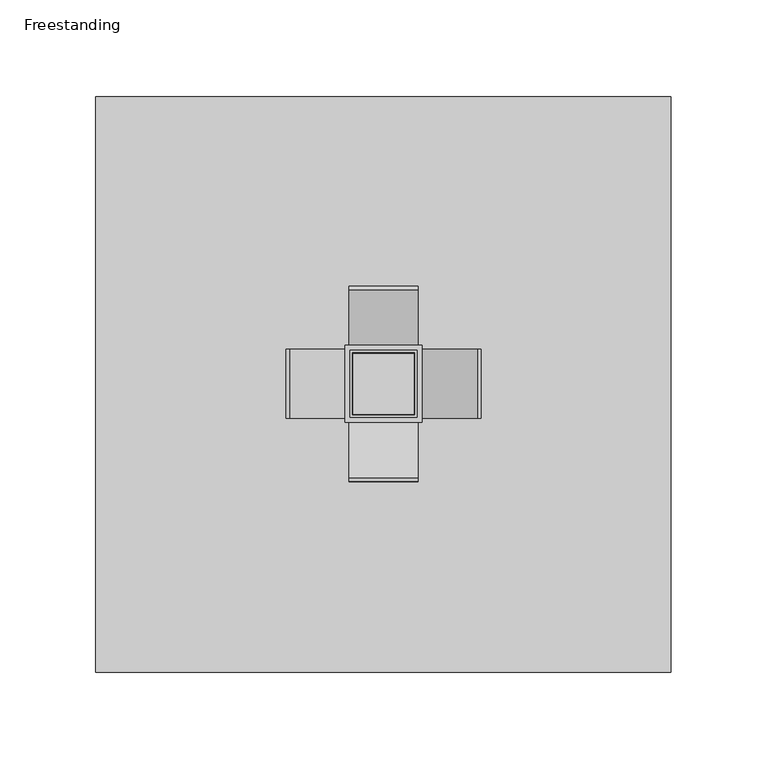
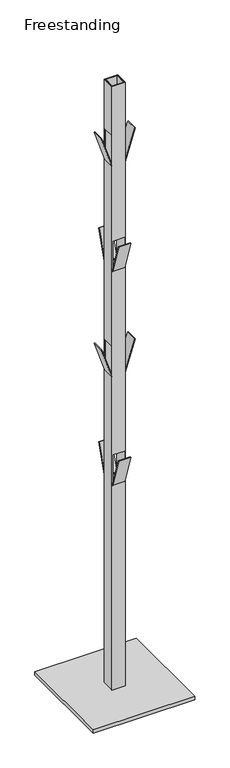
"""IFC4 building model written with IfcOpenShell, lengths in millimetres: furniture geometry, Freestanding."""

import ifcopenshell
import ifcopenshell.guid

model = None  # the IFC model being written
_history = None  # IfcOwnerHistory: only IFC2X3 demands one
_inside = {}  # id of a spatial element -> (the spatial element, [elements in it])
_under = {}  # id of a project, library or spatial element -> (it, [spatial elements below it])
_declared = {}  # id of a project -> (the project, [libraries it declares])
_typed = {}  # id of a type object -> (the type object, [elements of that type])
_made_of = {}  # id of a material, layer set ... -> (it, [elements and type objects made of it])


def new_model(schema):
    """Start an empty IFC model of exactly this schema.

    Asked for "IFC4X3", IfcOpenShell would pick the latest addendum, in which some entities
    have other attributes; the version numbers below select the first issue.
    IFC2X3 requires an IfcOwnerHistory on every rooted entity: one is made here for all.
    """
    global model, _history
    if schema == "IFC4X3":
        model = ifcopenshell.file(schema_version=(4, 3, 0, 0))
    else:
        model = ifcopenshell.file(schema=schema)
    _inside.clear()
    _under.clear()
    _declared.clear()
    _typed.clear()
    _made_of.clear()
    _history = None
    if model.schema == "IFC2X3":
        org = make("IfcOrganization", Name="unknown")
        user = make(
            "IfcPersonAndOrganization",
            ThePerson=make("IfcPerson", FamilyName="unknown"),
            TheOrganization=org,
        )
        app = make(
            "IfcApplication",
            ApplicationDeveloper=org,
            Version="unknown",
            ApplicationFullName="unknown",
            ApplicationIdentifier="unknown",
        )
        _history = make(
            "IfcOwnerHistory",
            OwningUser=user,
            OwningApplication=app,
            ChangeAction="ADDED",
            CreationDate=0,
        )
    return model


def make(cls, **values):
    """One entity of the class cls with the attributes given. An attribute that is None is left unset."""
    return model.create_entity(
        cls, **{name: value for name, value in values.items() if value is not None}
    )


def rooted(cls, **values):
    """An entity with a GlobalId (a new one), such as an element, a storey or a relation."""
    return make(cls, GlobalId=ifcopenshell.guid.new(), OwnerHistory=_history, **values)


def si_unit(unit_type, name, prefix=None):
    """IfcSIUnit, for example si_unit("LENGTHUNIT", "METRE", prefix="MILLI")."""
    return make("IfcSIUnit", UnitType=unit_type, Prefix=prefix, Name=name)


def assignment(units):
    """IfcUnitAssignment: the units of a project."""
    return None if units is None else make("IfcUnitAssignment", Units=units)


def point(xyz):
    """IfcCartesianPoint."""
    return None if xyz is None else make("IfcCartesianPoint", Coordinates=xyz)


def direction(xyz):
    """IfcDirection."""
    return None if xyz is None else make("IfcDirection", DirectionRatios=xyz)


def frame(location, z_axis=None, x_axis=None):
    """IfcAxis2Placement3D, a coordinate frame: its origin and axes. An axis left out is left unset."""
    return make(
        "IfcAxis2Placement3D",
        Location=point(location),
        Axis=direction(z_axis),
        RefDirection=direction(x_axis),
    )


def origin():
    """The frame at (0, 0, 0) with its axes left unset."""
    return frame((0.0, 0.0, 0.0))


def origin_with_axes():
    """The frame at (0, 0, 0) with the z axis (0, 0, 1) and the x axis (1, 0, 0) written out."""
    return frame((0.0, 0.0, 0.0), z_axis=(0.0, 0.0, 1.0), x_axis=(1.0, 0.0, 0.0))


def place(relative_to, where):
    """IfcLocalPlacement: puts the frame where relative to a parent placement (None: the world)."""
    return make(
        "IfcLocalPlacement", PlacementRelTo=relative_to, RelativePlacement=where
    )


def context(
    kind, dimensions, precision=None, world=None, true_north=None, identifier=None
):
    """IfcGeometricRepresentationContext, for example the 3D "Model" context."""
    return make(
        "IfcGeometricRepresentationContext",
        ContextIdentifier=identifier,
        ContextType=kind,
        CoordinateSpaceDimension=dimensions,
        Precision=precision,
        WorldCoordinateSystem=world,
        TrueNorth=true_north,
    )


def project(units=None, contexts=None):
    """IfcProject with its units and contexts."""
    return rooted(
        "IfcProject",
        Name="project",
        RepresentationContexts=contexts,
        UnitsInContext=assignment(units),
    )


def spatial(cls, under=None, at=None, **own):
    """A site, building, storey or space (cls), placed at a placement, below another one or the project."""
    s = rooted(cls, ObjectPlacement=at, **own)
    if under is not None:
        _under.setdefault(under.id(), (under, []))[1].append(s)
    return s


def polyline(points):
    """IfcPolyline through the points."""
    return make("IfcPolyline", Points=[point(p) for p in points])


def outline(outer, holes=None, kind="AREA"):
    """IfcArbitraryClosedProfileDef: a profile drawn as a closed curve; with holes, ...WithVoids."""
    if holes is None:
        return make("IfcArbitraryClosedProfileDef", ProfileType=kind, OuterCurve=outer)
    return make(
        "IfcArbitraryProfileDefWithVoids",
        ProfileType=kind,
        OuterCurve=outer,
        InnerCurves=holes,
    )


def extrude(swept, where, along, depth):
    """IfcExtrudedAreaSolid: the profile swept, set in the frame where, extruded along a direction by depth."""
    return make(
        "IfcExtrudedAreaSolid",
        SweptArea=swept,
        Position=where,
        ExtrudedDirection=direction(along),
        Depth=depth,
    )


def faces_of(points, faces, orient=None, outer=None):
    """IfcFace entities. A face is a list of loops; a loop is a list of indices into points, from 0.

    orient and outer hold one flag for each loop. By default every Orientation is true, the
    first loop of a face is its IfcFaceOuterBound and the others are IfcFaceBound.
    """
    made = []
    for i, loops in enumerate(faces):
        bounds = []
        for j, loop in enumerate(loops):
            is_outer = j == 0 if outer is None else outer[i][j]
            bounds.append(
                make(
                    "IfcFaceOuterBound" if is_outer else "IfcFaceBound",
                    Bound=make("IfcPolyLoop", Polygon=[points[k] for k in loop]),
                    Orientation=True if orient is None else orient[i][j],
                )
            )
        made.append(make("IfcFace", Bounds=bounds))
    return made


def faceted_brep(points, faces, orient=None, outer=None, voids=None):
    """IfcFacetedBrep: a solid bounded by flat faces; with voids (closed shells), ...WithVoids."""
    shared = [point(p) for p in points]
    hull = make("IfcClosedShell", CfsFaces=faces_of(shared, faces, orient, outer))
    if voids is None:
        return make("IfcFacetedBrep", Outer=hull)
    return make(
        "IfcFacetedBrepWithVoids",
        Outer=hull,
        Voids=[
            make(cls, CfsFaces=faces_of(shared, fs, o, b)) for cls, fs, o, b in voids
        ],
    )


def shape(context_of_items, identifier, shape_type, items):
    """IfcShapeRepresentation: the items that make up one representation, for example the "Body"."""
    return make(
        "IfcShapeRepresentation",
        ContextOfItems=context_of_items,
        RepresentationIdentifier=identifier,
        RepresentationType=shape_type,
        Items=items,
    )


def source(mapping_origin, context_of_items, identifier, shape_type, items):
    """IfcRepresentationMap: a shape defined once, which mapped items show again and again."""
    return make(
        "IfcRepresentationMap",
        MappingOrigin=mapping_origin,
        MappedRepresentation=shape(context_of_items, identifier, shape_type, items),
    )


def transform(
    local_origin,
    x_axis=None,
    y_axis=None,
    z_axis=None,
    scale=None,
    scale2=None,
    scale3=None,
    uniform=True,
):
    """IfcCartesianTransformationOperator3D, or its non-uniform kind. x_axis, y_axis, z_axis: its Axis1, 2, 3."""
    if uniform:
        return make(
            "IfcCartesianTransformationOperator3D",
            Axis1=direction(x_axis),
            Axis2=direction(y_axis),
            LocalOrigin=point(local_origin),
            Scale=scale,
            Axis3=direction(z_axis),
        )
    return make(
        "IfcCartesianTransformationOperator3DnonUniform",
        Axis1=direction(x_axis),
        Axis2=direction(y_axis),
        LocalOrigin=point(local_origin),
        Scale=scale,
        Axis3=direction(z_axis),
        Scale2=scale2,
        Scale3=scale3,
    )


def mapped(mapping_source, mapping_target):
    """IfcMappedItem: shows the shape of a source again, moved by a transform."""
    return make(
        "IfcMappedItem", MappingSource=mapping_source, MappingTarget=mapping_target
    )


def made_of(thing, what):
    """Note that an element or type object is made of a material, layer set ...; save() writes the relation."""
    if what is not None:
        _made_of.setdefault(what.id(), (what, []))[1].append(thing)
    return thing


def element(
    cls,
    number,
    at=None,
    inside=None,
    cuts=None,
    type_object=None,
    material=None,
    context=None,
    identifier="Body",
    shape_type=None,
    held_by="IfcProductDefinitionShape",
    body=None,
    shapes=None,
    **own,
):
    """One element of the class cls, such as IfcWall. Its Tag is "e" and its number.

    at: its placement. inside: the storey or other place that contains it. cuts: it is an
    opening in that element (IfcRelVoidsElement). A single representation is given by context,
    identifier, shape_type and body (its items); several are given by shapes. held_by: the class
    of the entity that holds the representations. save() writes the other relations.
    """
    e = rooted(cls, Tag="e%d" % number, ObjectPlacement=at, **own)
    if body is not None:
        shapes = [shape(context, identifier, shape_type, body)]
    if shapes is not None:
        e.Representation = make(held_by, Representations=shapes)
    if inside is not None:
        _inside.setdefault(inside.id(), (inside, []))[1].append(e)
    if cuts is not None:
        rooted(
            "IfcRelVoidsElement", RelatingBuildingElement=cuts, RelatedOpeningElement=e
        )
    if type_object is not None:
        _typed.setdefault(type_object.id(), (type_object, []))[1].append(e)
    return made_of(e, material)


def aggregate(whole, parts):
    """IfcRelAggregates: a whole, such as a stair, and the parts it consists of."""
    return rooted("IfcRelAggregates", RelatingObject=whole, RelatedObjects=parts)


def save(model, path):
    """Write the relations noted so far, then the file.

    IfcRelAggregates (storeys below a building ...), IfcRelContainedInSpatialStructure (elements
    in a storey), IfcRelDefinesByType, IfcRelAssociatesMaterial and IfcRelDeclares: one each for
    every whole, place, type object, material and project.
    """
    for whole, parts in _under.values():
        aggregate(whole, parts)
    for where, things in _inside.values():
        rooted(
            "IfcRelContainedInSpatialStructure",
            RelatedElements=things,
            RelatingStructure=where,
        )
    for kind, things in _typed.values():
        rooted("IfcRelDefinesByType", RelatedObjects=things, RelatingType=kind)
    for what, things in _made_of.values():
        rooted("IfcRelAssociatesMaterial", RelatedObjects=things, RelatingMaterial=what)
    for by, libraries in _declared.values():
        rooted("IfcRelDeclares", RelatingContext=by, RelatedDefinitions=libraries)
    model.write(path)


def freestanding_ad910669(model_context):
    return source(origin(), model_context, "Body", "SolidModel", [
        faceted_brep([(-16.19, 17.46, 656.3662881), (-16.19, 16.19, 656.3662881), (16.19, 16.19, 656.3662881), (16.19, -16.19, 656.3662881), (-16.19, -16.19, 656.3662881), (-16.19, -17.46, 656.3662881), (17.46, -17.46, 656.3662881), (17.46, 17.46, 656.3662881), (-16.19, 16.19, 745.618), (-16.19, 17.46, 745.618), (17.46, 17.46, 745.618), (17.46, -17.46, 745.618), (-16.19, -17.46, 745.618), (-16.19, -16.19, 745.618), (16.19, -16.19, 745.618), (16.19, 16.19, 745.618), (-16.19, 17.46, 1326.3662881), (-16.19, 16.19, 1326.3662881), (16.19, 16.19, 1326.3662881), (16.19, -16.19, 1326.3662881), (-16.19, -16.19, 1326.3662881), (-16.19, -17.46, 1326.3662881), (17.46, -17.46, 1326.3662881), (17.46, 17.46, 1326.3662881), (-16.19, 16.19, 1415.618), (-16.19, 17.46, 1415.618), (17.46, 17.46, 1415.618), (17.46, -17.46, 1415.618), (-16.19, -17.46, 1415.618), (-16.19, -16.19, 1415.618), (16.19, -16.19, 1415.618), (16.19, 16.19, 1415.618), (17.46, 17.46, 1900.0), (-17.46, 17.46, 1900.0), (-17.46, -17.46, 1900.0), (17.46, -17.46, 1900.0), (16.19, 16.19, 1900.0), (16.19, -16.19, 1900.0), (-16.19, -16.19, 1900.0), (-16.19, 16.19, 1900.0), (17.46, 17.46, 10.0), (17.46, -17.46, 10.0), (-17.46, -17.46, 10.0), (-17.46, 17.46, 10.0), (16.19, 16.19, 10.0), (-16.19, 16.19, 10.0), (-16.19, -16.19, 10.0), (16.19, -16.19, 10.0), (-17.46, -16.19, 1085.728), (-17.46, -16.19, 996.4762881), (-17.46, 16.19, 996.4762881), (-17.46, 16.19, 1085.728), (-17.46, -16.19, 1745.728), (-17.46, -16.19, 1656.4762881), (-17.46, 16.19, 1656.4762881), (-17.46, 16.19, 1745.728), (17.46, -16.19, 1656.4762881), (17.46, -16.19, 1745.728), (17.46, 16.19, 1745.728), (17.46, 16.19, 1656.4762881), (17.46, -16.19, 996.4762881), (17.46, -16.19, 1085.728), (17.46, 16.19, 1085.728), (17.46, 16.19, 996.4762881), (16.19, -16.19, 996.4762881), (16.19, 16.19, 996.4762881), (16.19, 16.19, 1085.728), (16.19, -16.19, 1085.728), (16.19, -16.19, 1656.4762881), (16.19, 16.19, 1656.4762881), (16.19, 16.19, 1745.728), (16.19, -16.19, 1745.728), (-16.19, -16.19, 996.4762881), (-16.19, -16.19, 1085.728), (-16.19, -16.19, 1656.4762881), (-16.19, -16.19, 1745.728), (-16.19, 16.19, 1656.4762881), (-16.19, 16.19, 1085.728), (-16.19, 16.19, 1745.728), (-16.19, 16.19, 996.4762881)], [[[0, 1, 2, 3, 4, 5, 6, 7]], [[8, 9, 10, 11, 12, 13, 14, 15]], [[16, 17, 18, 19, 20, 21, 22, 23]], [[24, 25, 26, 27, 28, 29, 30, 31]], [[32, 33, 34, 35], [36, 37, 38, 39]], [[40, 41, 42, 43], [44, 45, 46, 47]], [[33, 32, 26, 25, 16, 23, 10, 9, 0, 7, 40, 43]], [[34, 33, 43, 42], [48, 49, 50, 51], [52, 53, 54, 55]], [[35, 34, 42, 41, 6, 5, 12, 11, 22, 21, 28, 27]], [[32, 35, 27, 26], [56, 57, 58, 59]], [[41, 40, 7, 6]], [[10, 23, 22, 11], [60, 61, 62, 63]], [[15, 14, 64, 65]], [[19, 18, 66, 67]], [[31, 30, 68, 69]], [[37, 36, 70, 71]], [[44, 47, 3, 2]], [[14, 13, 72, 49, 48, 73, 20, 19, 67, 61, 60, 64]], [[38, 37, 71, 57, 56, 68, 30, 29, 74, 53, 52, 75]], [[47, 46, 4, 3]], [[17, 16, 25, 24, 76, 74, 29, 28, 21, 20, 73, 77]], [[39, 38, 75, 78]], [[46, 45, 1, 0, 9, 8, 79, 72, 13, 12, 5, 4]], [[8, 15, 65, 63, 62, 66, 18, 17, 77, 51, 50, 79]], [[36, 39, 78, 55, 54, 76, 24, 31, 69, 59, 58, 70]], [[45, 44, 2, 1]], [[73, 48, 51, 77]], [[61, 67, 66, 62]], [[49, 72, 79, 50]], [[64, 60, 63, 65]], [[57, 71, 70, 58]], [[75, 52, 55, 78]], [[68, 56, 59, 69]], [[53, 74, 76, 54]]]),
        faceted_brep([(20.0, 20.0, 1900.0), (-20.0, 20.0, 1900.0), (-20.0, -20.0, 1900.0), (20.0, -20.0, 1900.0), (-17.46, -17.46, 1900.0), (-17.46, 17.46, 1900.0), (17.46, 17.46, 1900.0), (17.46, -17.46, 1900.0), (20.0, 20.0, 10.0), (20.0, -20.0, 10.0), (-20.0, -20.0, 10.0), (-20.0, 20.0, 10.0), (-17.46, -17.46, 10.0), (17.46, -17.46, 10.0), (17.46, 17.46, 10.0), (-17.46, 17.46, 10.0), (17.46, 20.0, 656.3662881), (17.46, 20.0, 745.618), (-16.19, 20.0, 745.618), (-16.19, 20.0, 656.3662881), (17.46, 20.0, 1326.3662881), (17.46, 20.0, 1415.618), (-16.19, 20.0, 1415.618), (-16.19, 20.0, 1326.3662881), (-20.0, -16.19, 1085.728), (-20.0, -16.19, 996.4762881), (-20.0, 16.19, 996.4762881), (-20.0, 16.19, 1085.728), (-20.0, -16.19, 1745.728), (-20.0, -16.19, 1656.4762881), (-20.0, 16.19, 1656.4762881), (-20.0, 16.19, 1745.728), (17.46, -20.0, 745.618), (17.46, -20.0, 656.3662881), (-16.19, -20.0, 656.3662881), (-16.19, -20.0, 745.618), (17.46, -20.0, 1415.618), (17.46, -20.0, 1326.3662881), (-16.19, -20.0, 1326.3662881), (-16.19, -20.0, 1415.618), (20.0, -16.19, 996.4762881), (20.0, -16.19, 1085.728), (20.0, 16.19, 1085.728), (20.0, 16.19, 996.4762881), (20.0, -16.19, 1656.4762881), (20.0, -16.19, 1745.728), (20.0, 16.19, 1745.728), (20.0, 16.19, 1656.4762881), (-16.19, 17.46, 656.3662881), (-16.19, 17.46, 745.618), (-16.19, -17.46, 656.3662881), (-16.19, -17.46, 745.618), (-16.19, 17.46, 1326.3662881), (-16.19, 17.46, 1415.618), (-16.19, -17.46, 1326.3662881), (-16.19, -17.46, 1415.618), (17.46, 17.46, 656.3662881), (17.46, -17.46, 656.3662881), (17.46, 17.46, 745.618), (17.46, -17.46, 745.618), (17.46, 17.46, 1326.3662881), (17.46, -17.46, 1326.3662881), (17.46, 17.46, 1415.618), (17.46, -17.46, 1415.618), (-17.46, -16.19, 996.4762881), (-17.46, -16.19, 1085.728), (17.46, -16.19, 996.4762881), (17.46, -16.19, 1085.728), (-17.46, -16.19, 1656.4762881), (-17.46, -16.19, 1745.728), (17.46, -16.19, 1656.4762881), (17.46, -16.19, 1745.728), (-17.46, 16.19, 1085.728), (-17.46, 16.19, 996.4762881), (17.46, 16.19, 1085.728), (17.46, 16.19, 996.4762881), (-17.46, 16.19, 1745.728), (-17.46, 16.19, 1656.4762881), (17.46, 16.19, 1745.728), (17.46, 16.19, 1656.4762881)], [[[0, 1, 2, 3], [4, 5, 6, 7]], [[8, 9, 10, 11], [12, 13, 14, 15]], [[1, 0, 8, 11], [16, 17, 18, 19], [20, 21, 22, 23]], [[2, 1, 11, 10], [24, 25, 26, 27], [28, 29, 30, 31]], [[3, 2, 10, 9], [32, 33, 34, 35], [36, 37, 38, 39]], [[0, 3, 9, 8], [40, 41, 42, 43], [44, 45, 46, 47]], [[48, 19, 18, 49]], [[34, 50, 51, 35]], [[52, 23, 22, 53]], [[38, 54, 55, 39]], [[56, 16, 19, 48]], [[33, 57, 50, 34]], [[17, 58, 49, 18]], [[59, 32, 35, 51]], [[60, 20, 23, 52]], [[37, 61, 54, 38]], [[21, 62, 53, 22]], [[63, 36, 39, 55]], [[64, 25, 24, 65]], [[40, 66, 67, 41]], [[68, 29, 28, 69]], [[44, 70, 71, 45]], [[72, 27, 26, 73]], [[42, 74, 75, 43]], [[76, 31, 30, 77]], [[46, 78, 79, 47]], [[65, 24, 27, 72]], [[41, 67, 74, 42]], [[25, 64, 73, 26]], [[66, 40, 43, 75]], [[69, 28, 31, 76]], [[45, 71, 78, 46]], [[29, 68, 77, 30]], [[70, 44, 47, 79]], [[5, 4, 12, 15], [64, 65, 72, 73], [68, 69, 76, 77]], [[6, 5, 15, 14, 56, 48, 49, 58, 60, 52, 53, 62]], [[7, 6, 62, 21, 20, 60, 58, 17, 16, 56, 14, 13, 57, 33, 32, 59, 61, 37, 36, 63], [67, 66, 75, 74], [71, 70, 79, 78]], [[4, 7, 63, 55, 54, 61, 59, 51, 50, 57, 13, 12]]]),
        extrude(outline(polyline([(1745.728, 48.9978759), (1656.4762881, 20.0), (1650.0037962, 20.0), (1745.11, 50.9), (1745.728, 48.9978759)])), frame((0.0, -18.0, 0.0), z_axis=(0.0, 1.0, 0.0), x_axis=(0.0, 0.0, 1.0)), (0.0, 0.0, 1.0), 36.0),
        extrude(outline(polyline([(1745.728, -48.9978759), (1745.11, -50.9), (1650.0037962, -20.0), (1656.4762881, -20.0), (1745.728, -48.9978759)])), frame((0.0, -18.0, 0.0), z_axis=(0.0, 1.0, 0.0), x_axis=(0.0, 0.0, 1.0)), (0.0, 0.0, 1.0), 36.0),
        extrude(outline(polyline([(996.4762881, 20.0), (990.0037962, 20.0), (1085.11, 50.9), (1085.728, 48.9978759), (996.4762881, 20.0)])), frame((0.0, -18.0, 0.0), z_axis=(0.0, 1.0, 0.0), x_axis=(0.0, 0.0, 1.0)), (0.0, 0.0, 1.0), 36.0),
        extrude(outline(polyline([(996.4762881, -20.0), (1085.728, -48.9978759), (1085.11, -50.9), (990.0037962, -20.0), (996.4762881, -20.0)])), frame((0.0, -18.0, 0.0), z_axis=(0.0, 1.0, 0.0), x_axis=(0.0, 0.0, 1.0)), (0.0, 0.0, 1.0), 36.0),
        extrude(outline(polyline([(-20.0, 1326.3662881), (-20.0, 1319.8937962), (-50.9, 1415.0), (-48.9978759, 1415.618), (-20.0, 1326.3662881)])), frame((-18.0, 0.0, 0.0), z_axis=(1.0, 0.0, 0.0), x_axis=(0.0, 1.0, 0.0)), (0.0, 0.0, 1.0), 36.0),
        extrude(outline(polyline([(20.0, 1326.3662881), (48.9978759, 1415.618), (50.9, 1415.0), (20.0, 1319.8937962), (20.0, 1326.3662881)])), frame((-18.0, 0.0, 0.0), z_axis=(1.0, 0.0, 0.0), x_axis=(0.0, 1.0, 0.0)), (0.0, 0.0, 1.0), 36.0),
        extrude(outline(polyline([(-20.0, 656.3662881), (-20.0, 649.8937962), (-50.9, 745.0), (-48.9978759, 745.618), (-20.0, 656.3662881)])), frame((-18.0, 0.0, 0.0), z_axis=(1.0, 0.0, 0.0), x_axis=(0.0, 1.0, 0.0)), (0.0, 0.0, 1.0), 36.0),
        extrude(outline(polyline([(20.0, 656.3662881), (48.9978759, 745.618), (50.9, 745.0), (20.0, 649.8937962), (20.0, 656.3662881)])), frame((-18.0, 0.0, 0.0), z_axis=(1.0, 0.0, 0.0), x_axis=(0.0, 1.0, 0.0)), (0.0, 0.0, 1.0), 36.0),
        extrude(outline(polyline([(150.0, 150.0), (150.0, -150.0), (-150.0, -150.0), (-150.0, 150.0), (150.0, 150.0)])), origin_with_axes(), (0.0, 0.0, 1.0), 10.0),
    ])


if __name__ == "__main__":
    model = new_model("IFC4")
    model_context = context("Model", 3, world=origin())
    ifc_project = project(units=[si_unit("LENGTHUNIT", "METRE", prefix="MILLI")], contexts=[model_context])
    site = spatial("IfcSite", under=ifc_project)
    building = spatial("IfcBuilding", under=site)
    placement = place(None, origin())
    freestanding_shape = freestanding_ad910669(model_context)
    element("IfcFurniture", 1, ObjectType="Freestanding", at=placement, inside=building, context=model_context, shape_type="MappedRepresentation", body=[
        mapped(freestanding_shape, transform((0.0, 0.0, 0.0), x_axis=(1.0, 0.0, 0.0), y_axis=(0.0, 1.0, 0.0), z_axis=(0.0, 0.0, 1.0))),
    ])
    save(model, "model.ifc")
